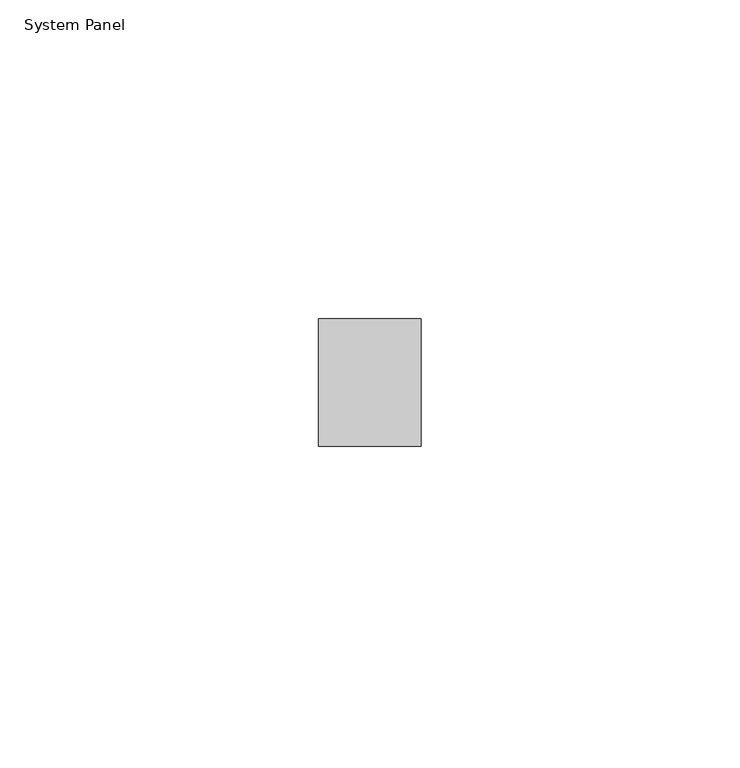
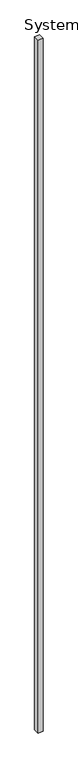
"""IFC4 building model written with IfcOpenShell, lengths in millimetres: plate geometry, System Panel."""

from ifc_helpers import new_model, si_unit, origin, origin_with_axes, place, context, project, spatial, polyline, outline, extrude, source, transform, mapped, element, save


def system_panel_1854193f(model_context):
    return source(origin(), model_context, "Body", "SweptSolid", [
        extrude(outline(polyline([(8.0335683, -10.0), (-8.0335683, -10.0), (-8.0335683, 10.0), (8.0335683, 10.0), (8.0335683, -10.0)])), origin_with_axes(), (0.0, 0.0, 1.0), 2400.0),
    ])


if __name__ == "__main__":
    model = new_model("IFC4")
    model_context = context("Model", 3, world=origin())
    ifc_project = project(units=[si_unit("LENGTHUNIT", "METRE", prefix="MILLI")], contexts=[model_context])
    site = spatial("IfcSite", under=ifc_project)
    building = spatial("IfcBuilding", under=site)
    placement = place(None, origin())
    system_panel_shape = system_panel_1854193f(model_context)
    element("IfcPlate", 1, ObjectType="System Panel", at=placement, inside=building, context=model_context, shape_type="MappedRepresentation", body=[
        mapped(system_panel_shape, transform((0.0, 0.0, 0.0), x_axis=(1.0, 0.0, 0.0), y_axis=(0.0, 1.0, 0.0), z_axis=(0.0, 0.0, 1.0))),
    ])
    save(model, "model.ifc")
